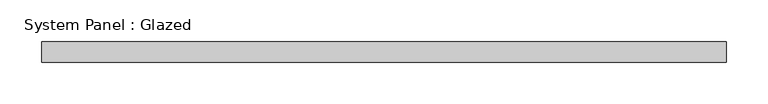
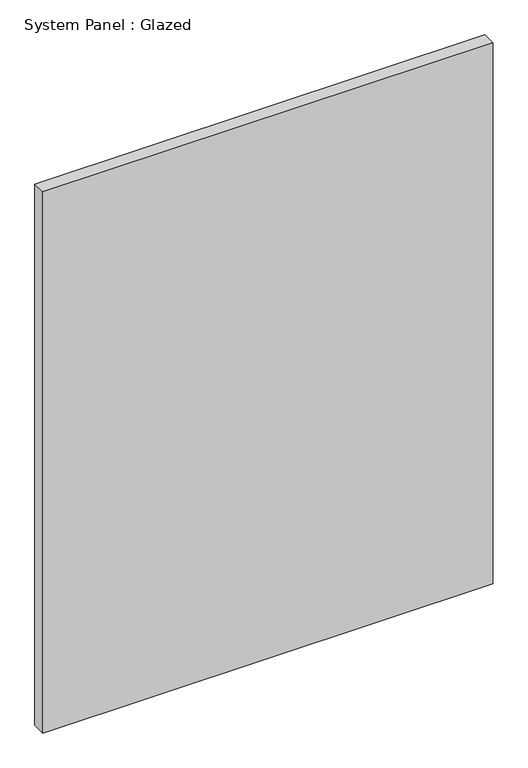
"""IFC4 building model written with IfcOpenShell, lengths in millimetres: plate geometry, System Panel : Glazed."""

from ifc_helpers import new_model, si_unit, origin, origin_with_axes, place, context, project, spatial, polyline, outline, extrude, source, transform, mapped, element, save


def system_panel_glazed_4a8c3cac(model_context):
    return source(origin(), model_context, "Body", "SweptSolid", [
        extrude(outline(polyline([(412.5, -49.5), (-412.5, -49.5), (-412.5, -24.5), (412.5, -24.5), (412.5, -49.5)])), origin_with_axes(), (0.0, 0.0, 1.0), 1048.3333333),
    ])


if __name__ == "__main__":
    model = new_model("IFC4")
    model_context = context("Model", 3, world=origin())
    ifc_project = project(units=[si_unit("LENGTHUNIT", "METRE", prefix="MILLI")], contexts=[model_context])
    site = spatial("IfcSite", under=ifc_project)
    building = spatial("IfcBuilding", under=site)
    placement = place(None, origin())
    system_panel_glazed_shape = system_panel_glazed_4a8c3cac(model_context)
    element("IfcPlate", 1, ObjectType="System Panel : Glazed", at=placement, inside=building, context=model_context, shape_type="MappedRepresentation", body=[
        mapped(system_panel_glazed_shape, transform((0.0, 0.0, 0.0), x_axis=(1.0, 0.0, 0.0), y_axis=(0.0, 1.0, 0.0), z_axis=(0.0, 0.0, 1.0))),
    ])
    save(model, "model.ifc")
